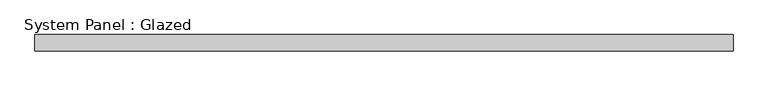
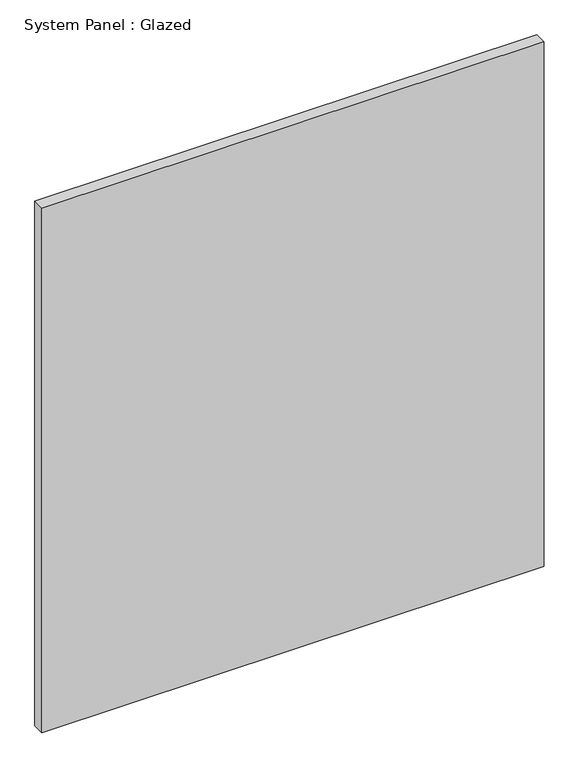
"""IFC4 building model written with IfcOpenShell, lengths in millimetres: plate geometry, System Panel : Glazed."""

from ifc_helpers import new_model, si_unit, origin, origin_with_axes, place, context, project, spatial, polyline, outline, extrude, source, transform, mapped, element, save


def system_panel_glazed_175c6daa(model_context):
    return source(origin(), model_context, "Body", "SweptSolid", [
        extrude(outline(polyline([(543.25, 19.05), (-543.25, 19.05), (-543.25, 44.45), (543.25, 44.45), (543.25, 19.05)])), origin_with_axes(), (0.0, 0.0, 1.0), 1200.0),
    ])


if __name__ == "__main__":
    model = new_model("IFC4")
    model_context = context("Model", 3, world=origin())
    ifc_project = project(units=[si_unit("LENGTHUNIT", "METRE", prefix="MILLI")], contexts=[model_context])
    site = spatial("IfcSite", under=ifc_project)
    building = spatial("IfcBuilding", under=site)
    placement = place(None, origin())
    system_panel_glazed_shape = system_panel_glazed_175c6daa(model_context)
    element("IfcPlate", 1, ObjectType="System Panel : Glazed", at=placement, inside=building, context=model_context, shape_type="MappedRepresentation", body=[
        mapped(system_panel_glazed_shape, transform((0.0, 0.0, 0.0), x_axis=(1.0, 0.0, 0.0), y_axis=(0.0, 1.0, 0.0), z_axis=(0.0, 0.0, 1.0))),
    ])
    save(model, "model.ifc")
